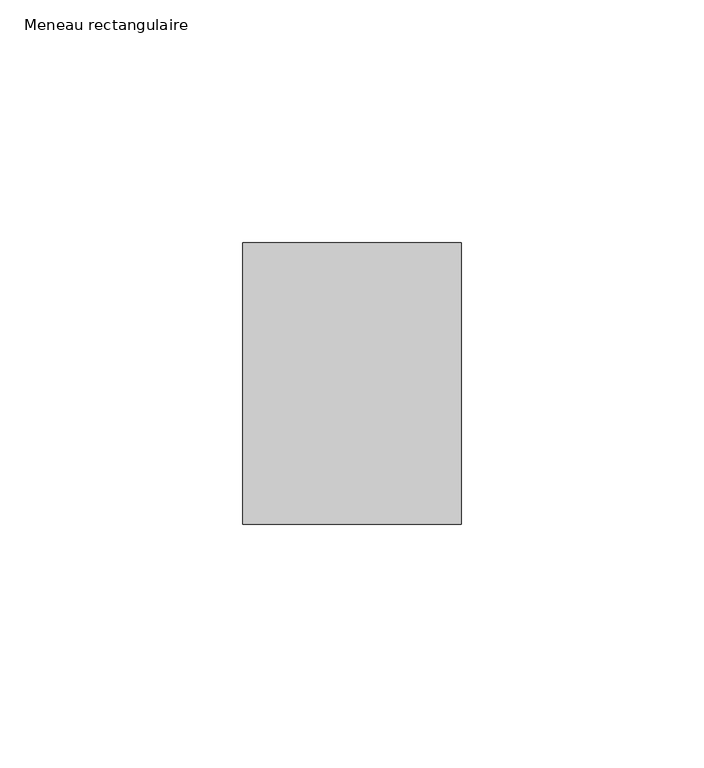
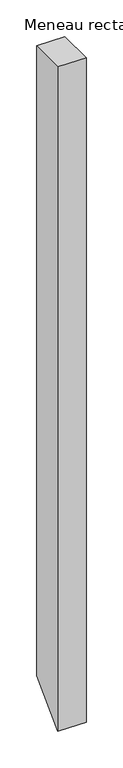
"""IFC4 building model written with IfcOpenShell, lengths in millimetres: member geometry, Meneau rectangulaire."""

from ifc_helpers import new_model, si_unit, frame, origin, place, context, project, spatial, polyline, outline, extrude, source, transform, mapped, element, save


def meneau_rectangulaire_8c2030b7(model_context):
    return source(origin(), model_context, "Body", "SweptSolid", [
        extrude(outline(polyline([(-29.0, 0.0), (29.0, 0.0), (29.0, -1052.5497356), (-29.0, -1110.5497356), (-29.0, 0.0)])), frame((-45.0, 0.0, 0.0), z_axis=(1.0, 0.0, 0.0), x_axis=(0.0, 1.0, 0.0)), (0.0, 0.0, 1.0), 45.0),
    ])


if __name__ == "__main__":
    model = new_model("IFC4")
    model_context = context("Model", 3, world=origin())
    ifc_project = project(units=[si_unit("LENGTHUNIT", "METRE", prefix="MILLI")], contexts=[model_context])
    site = spatial("IfcSite", under=ifc_project)
    building = spatial("IfcBuilding", under=site)
    placement = place(None, origin())
    meneau_rectangulaire_shape = meneau_rectangulaire_8c2030b7(model_context)
    element("IfcMember", 1, ObjectType="Meneau rectangulaire", at=placement, inside=building, context=model_context, shape_type="MappedRepresentation", body=[
        mapped(meneau_rectangulaire_shape, transform((0.0, 0.0, 0.0), x_axis=(1.0, 0.0, 0.0), y_axis=(0.0, 1.0, 0.0), z_axis=(0.0, 0.0, 1.0))),
    ])
    save(model, "model.ifc")
